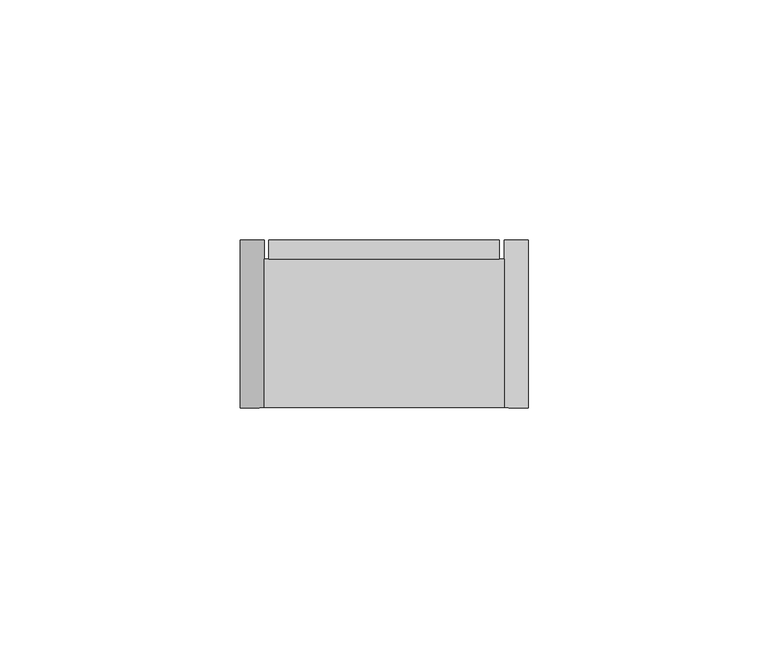
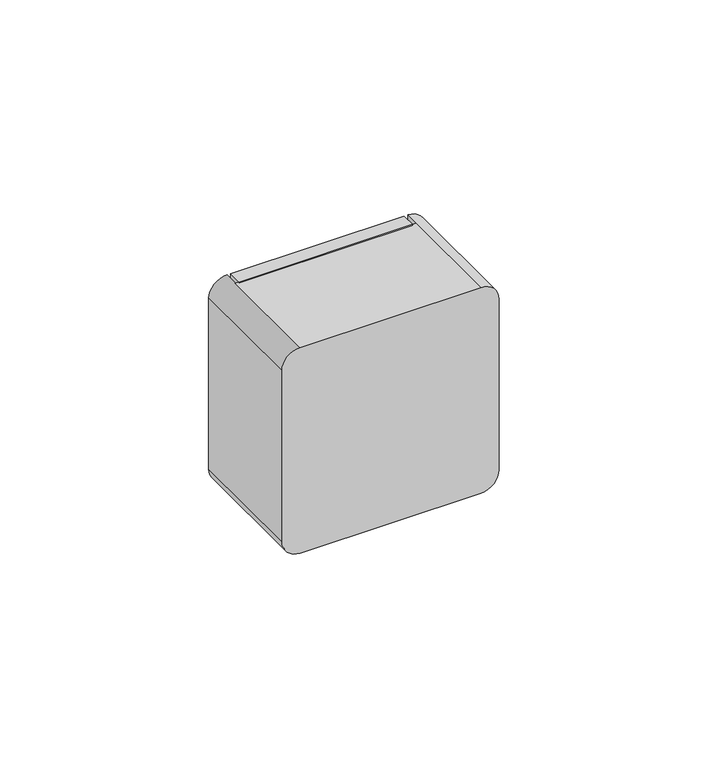
"""IFC4 building model written with IfcOpenShell, lengths in millimetres: proxy geometry."""

from ifc_helpers import new_model, si_unit, frame, origin, place, context, project, spatial, polyline, circle_curve, outline, extrude, source, transform, mapped, element, save
from ifc_brep_helpers import plane_surface, cylinder_surface, advanced_brep


def electrical_fixtures_ef58b4bf(model_context):
    return source(origin(), model_context, "Body", "SolidModel", [
        extrude(outline(polyline([(101.0, 35.0), (149.0, 35.0), (149.0, 31.0), (101.0, 31.0), (101.0, 35.0)])), frame((0.0, 0.0, 150.0), z_axis=(0.0, 0.0, 1.0), x_axis=(1.0, 0.0, 0.0)), (0.0, 0.0, 1.0), 60.0),
        advanced_brep(
        [(150.0, 35.0, 210.0), (155.0, 35.0, 205.0), (155.0, 35.0, 155.0), (150.0, 35.0, 150.0), (100.0, 35.0, 150.0), (95.0, 35.0, 155.0), (95.0, 35.0, 205.0), (100.0, 35.0, 210.0), (100.0, 0.0, 210.0), (95.0, 0.0, 205.0), (95.0, 0.0, 155.0), (100.0, 0.0, 150.0), (150.0, 0.0, 150.0), (155.0, 0.0, 155.0), (155.0, 0.0, 205.0), (150.0, 0.0, 210.0), (150.0, 31.0, 210.0), (100.0, 31.0, 210.0), (100.0, 31.0, 150.0), (150.0, 31.0, 150.0)],
        [
            (0, 1, circle_curve(frame((150.0, 35.0, 205.0), z_axis=(0.0, 1.0, 0.0), x_axis=(-1.0, 0.0, 0.0)), 5.0)),
            (1, 2),
            (2, 3, circle_curve(frame((150.0, 35.0, 155.0), z_axis=(0.0, 1.0, 0.0), x_axis=(-1.0, 0.0, 0.0)), 5.0)),
            (3, 0),
            (4, 5, circle_curve(frame((100.0, 35.0, 155.0), z_axis=(0.0, 1.0, 0.0), x_axis=(-1.0, 0.0, 0.0)), 5.0)),
            (5, 6),
            (6, 7, circle_curve(frame((100.0, 35.0, 205.0), z_axis=(0.0, 1.0, 0.0), x_axis=(-1.0, 0.0, 0.0)), 5.0)),
            (7, 4),
            (8, 9, circle_curve(frame((100.0, 0.0, 205.0), z_axis=(0.0, -1.0, 0.0), x_axis=(-1.0, 0.0, 0.0)), 5.0)),
            (9, 10),
            (10, 11, circle_curve(frame((100.0, 0.0, 155.0), z_axis=(0.0, -1.0, 0.0), x_axis=(-1.0, 0.0, 0.0)), 5.0)),
            (11, 12),
            (12, 13, circle_curve(frame((150.0, 0.0, 155.0), z_axis=(0.0, -1.0, 0.0), x_axis=(-1.0, 0.0, 0.0)), 5.0)),
            (13, 14),
            (14, 15, circle_curve(frame((150.0, 0.0, 205.0), z_axis=(0.0, -1.0, 0.0), x_axis=(-1.0, 0.0, 0.0)), 5.0)),
            (15, 8),
            (15, 16),
            (16, 17),
            (17, 8),
            (1, 14),
            (13, 2),
            (11, 18),
            (18, 19),
            (19, 12),
            (5, 10),
            (9, 6),
            (0, 16),
            (19, 3),
            (4, 18),
            (17, 7),
            (16, 19),
            (18, 17),
        ],
        [
            plane_surface(frame((145.0, 35.0, 210.0), z_axis=(0.0, 1.0, 0.0), x_axis=(1.0, 0.0, 0.0))),
            plane_surface(frame((145.0, 0.0, 210.0), z_axis=(0.0, -1.0, 0.0), x_axis=(-1.0, 0.0, 0.0))),
            plane_surface(frame((100.0, 35.0, 210.0), z_axis=(0.0, 0.0, 1.0), x_axis=(0.0, -1.0, 0.0))),
            plane_surface(frame((155.0, 35.0, 205.0), z_axis=(1.0, 0.0, 0.0), x_axis=(0.0, -1.0, 0.0))),
            plane_surface(frame((150.0, 35.0, 150.0), z_axis=(0.0, 0.0, -1.0), x_axis=(0.0, -1.0, 0.0))),
            plane_surface(frame((95.0, 35.0, 155.0), z_axis=(-1.0, 0.0, 0.0), x_axis=(0.0, -1.0, 0.0))),
            cylinder_surface(frame((150.0, 0.0, 205.0), z_axis=(0.0, 1.0, 0.0), x_axis=(-1.0, 0.0, 0.0)), 5.0),
            cylinder_surface(frame((150.0, 0.0, 155.0), z_axis=(0.0, 1.0, 0.0), x_axis=(-1.0, 0.0, 0.0)), 5.0),
            cylinder_surface(frame((100.0, 0.0, 155.0), z_axis=(0.0, 1.0, 0.0), x_axis=(-1.0, 0.0, 0.0)), 5.0),
            cylinder_surface(frame((100.0, 0.0, 205.0), z_axis=(0.0, 1.0, 0.0), x_axis=(-1.0, 0.0, 0.0)), 5.0),
            plane_surface(frame((100.0, 31.0, 210.0), z_axis=(0.0, 1.0, 0.0), x_axis=(0.0, 0.0, -1.0))),
            plane_surface(frame((100.0, 31.0, 210.0), z_axis=(1.0, 0.0, 0.0), x_axis=(0.0, 1.0, 0.0))),
            plane_surface(frame((150.0, 31.0, 150.0), z_axis=(-1.0, 0.0, 0.0), x_axis=(0.0, 1.0, 0.0))),
        ],
        [
            (0, [[1, 2, 3, 4]]),
            (0, [[5, 6, 7, 8]]),
            (1, [[9, 10, 11, 12, 13, 14, 15, 16]]),
            (2, [[-16, 17, 18, 19]]),
            (3, [[-2, 20, -14, 21]]),
            (4, [[-12, 22, 23, 24]]),
            (5, [[-6, 25, -10, 26]]),
            (6, [[-1, 27, -17, -15, -20]]),
            (7, [[-3, -21, -13, -24, 28]]),
            (8, [[-5, 29, -22, -11, -25]]),
            (9, [[-7, -26, -9, -19, 30]]),
            (10, [[31, -23, 32, -18]]),
            (11, [[-32, -29, -8, -30]]),
            (12, [[-31, -27, -4, -28]]),
        ],
    ),
    ])


if __name__ == "__main__":
    model = new_model("IFC4")
    model_context = context("Model", 3, world=origin())
    ifc_project = project(units=[si_unit("LENGTHUNIT", "METRE", prefix="MILLI")], contexts=[model_context])
    site = spatial("IfcSite", under=ifc_project)
    building = spatial("IfcBuilding", under=site)
    placement = place(None, origin())
    electrical_fixtures_shape = electrical_fixtures_ef58b4bf(model_context)
    element("IfcBuildingElementProxy", 1, Name="Electrical Fixtures", at=placement, inside=building, context=model_context, shape_type="MappedRepresentation", body=[
        mapped(electrical_fixtures_shape, transform((0.0, 0.0, 0.0), x_axis=(1.0, 0.0, 0.0), y_axis=(0.0, 1.0, 0.0), z_axis=(0.0, 0.0, 1.0))),
    ])
    save(model, "model.ifc")
